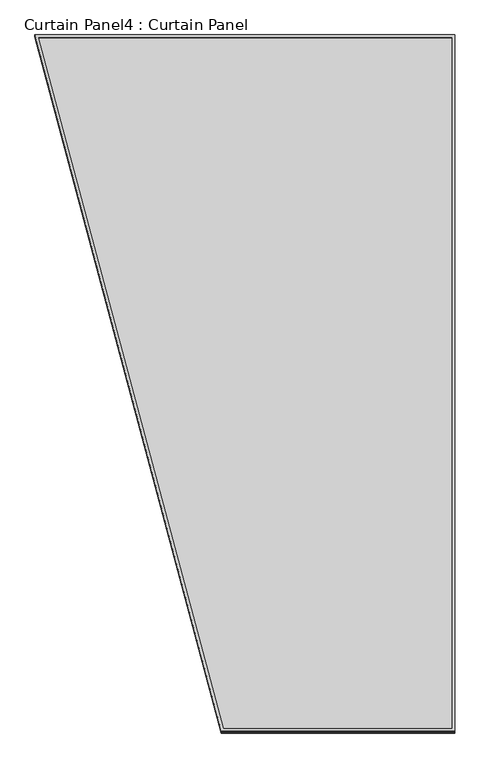
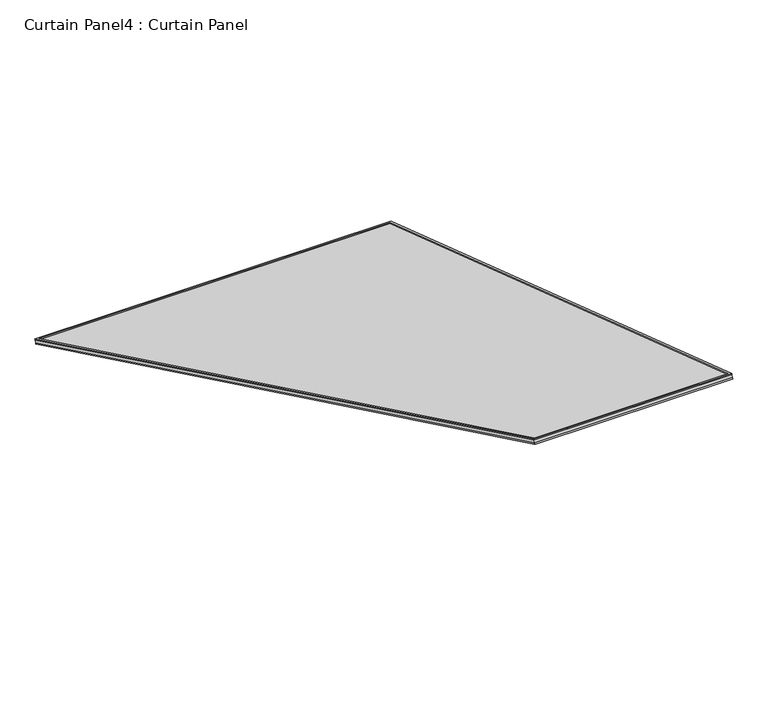
"""IFC4 building model written with IfcOpenShell, lengths in millimetres: plate geometry, Curtain Panel4 : Curtain Panel."""

from ifc_helpers import new_model, si_unit, frame, origin, place, context, project, spatial, polyline, outline, extrude, source, transform, mapped, element, save


def curtain_panel4_curtain_panel_770ff95b(model_context):
    return source(origin(), model_context, "Body", "SweptSolid", [
        extrude(outline(polyline([(1614.8100981, -11.1125001), (-11.1125, -11.1125001), (-11.1125, 2831.1637639), (892.2857323, 2831.1637639), (1614.8100981, -11.1125001)]), holes=[polyline([(883.6446701, 2820.051264), (0.0, 2820.051264), (0.0, 0.0), (1600.5193022, 0.0), (883.6446701, 2820.051264)])]), frame((11402.7173272, 10705.4000561, -5.6733262), z_axis=(0.0, 0.3161458239738056, 0.9487106081329141), x_axis=(-1.0, 0.0, 0.0)), (0.0, 0.0, 1.0), 4.8777526),
        extrude(outline(polyline([(1614.8100981, -11.1124999), (-11.1125, -11.1124999), (-11.1125, 2831.163764), (892.2857323, 2831.163764), (1614.8100981, -11.1124999)]), holes=[polyline([(883.6446701, 2820.0512641), (0.0, 2820.0512641), (0.0, 0.0), (1600.5193022, 0.0), (883.6446701, 2820.0512641)])]), frame((11402.7173272, 10699.8387157, -22.3621524), z_axis=(0.0, 0.31614582397380575, 0.948710608132914), x_axis=(-1.0, 0.0, 0.0)), (0.0, 0.0, 1.0), 4.7841913),
        extrude(outline(polyline([(25.6727144, 0.0), (1651.5953125, 0.0), (1651.5953125, -2842.276264), (748.1970802, -2842.276264), (25.6727144, 0.0)])), frame((9762.2345147, 10711.8937644, -21.3365098), z_axis=(0.0, 0.3161458239738058, 0.948710608132914), x_axis=(1.0, 0.0, 0.0)), (0.0, 0.0, 1.0), 12.8068697),
    ])


if __name__ == "__main__":
    model = new_model("IFC4")
    model_context = context("Model", 3, world=origin())
    ifc_project = project(units=[si_unit("LENGTHUNIT", "METRE", prefix="MILLI")], contexts=[model_context])
    site = spatial("IfcSite", under=ifc_project)
    building = spatial("IfcBuilding", under=site)
    placement = place(None, origin())
    curtain_panel4_curtain_panel_shape = curtain_panel4_curtain_panel_770ff95b(model_context)
    element("IfcPlate", 1, ObjectType="Curtain Panel4 : Curtain Panel", at=placement, inside=building, context=model_context, shape_type="MappedRepresentation", body=[
        mapped(curtain_panel4_curtain_panel_shape, transform((0.0, 0.0, 0.0), x_axis=(1.0, 0.0, 0.0), y_axis=(0.0, 1.0, 0.0), z_axis=(0.0, 0.0, 1.0))),
    ])
    save(model, "model.ifc")
